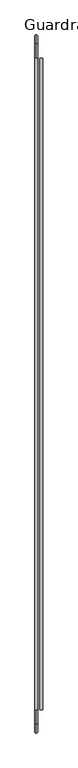
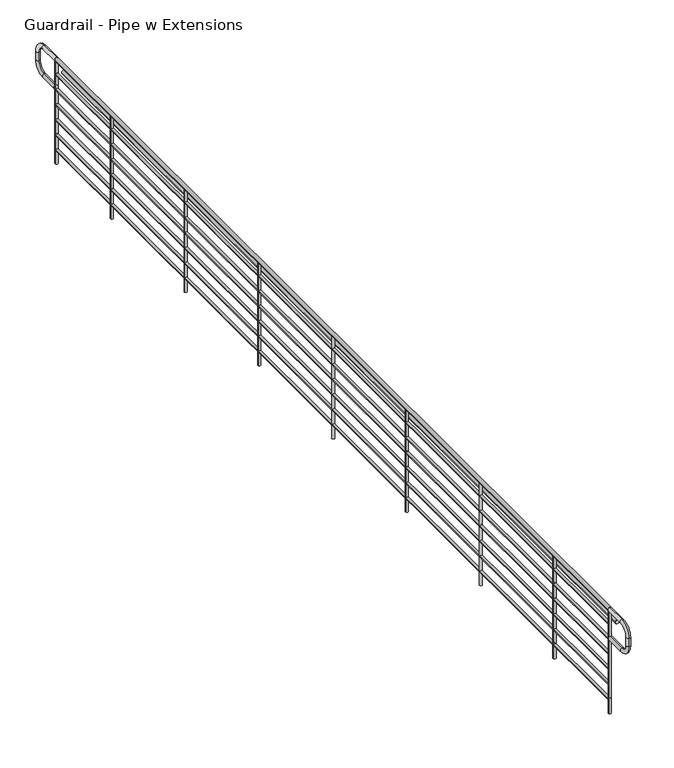
"""IFC4 building model written with IfcOpenShell, lengths in millimetres: railing geometry, Guardrail - Pipe w Extensions."""

from ifc_helpers import new_model, si_unit, point, frame, frame_2d, origin, origin_with_axes, place, context, project, spatial, circle_curve, ellipse_curve, trimmed, segment, composite_curve, outline, extrude, source, transform, mapped, element, save
from ifc_brep_helpers import plane_surface, cylinder_surface, revolved_surface, advanced_brep


def guardrail_pipe_w_extensions_8e2b649c(model_context):
    return source(origin(), model_context, "Body", "SolidModel", [
        extrude(outline(composite_curve([segment(trimmed(circle_curve(frame_2d((1047.75, -3777.2478678)), 19.05), [point((1047.75, -3758.1978678))], [point((1047.75, -3796.2978678))], False, "CARTESIAN"), True, "CONTINUOUS"), segment(trimmed(circle_curve(frame_2d((1047.75, -3777.2478678)), 19.05), [point((1047.75, -3796.2978678))], [point((1047.75, -3758.1978678))], False, "CARTESIAN"), True, "CONTINUOUS")], self_intersect=False)), frame((0.0, -14489.4143828, 0.0), z_axis=(0.0, 1.0, 0.0), x_axis=(0.0, 0.0, 1.0)), (0.0, 0.0, 1.0), 9144.0),
        extrude(outline(composite_curve([segment(trimmed(circle_curve(frame_2d((901.7, -3777.2478678)), 12.7), [point((901.7, -3764.5478678))], [point((901.7, -3789.9478678))], False, "CARTESIAN"), True, "CONTINUOUS"), segment(trimmed(circle_curve(frame_2d((901.7, -3777.2478678)), 12.7), [point((901.7, -3789.9478678))], [point((901.7, -3764.5478678))], False, "CARTESIAN"), True, "CONTINUOUS")], self_intersect=False)), frame((0.0, -14489.4143828, 0.0), z_axis=(0.0, 1.0, 0.0), x_axis=(0.0, 0.0, 1.0)), (0.0, 0.0, 1.0), 9144.0),
        extrude(outline(composite_curve([segment(trimmed(circle_curve(frame_2d((895.35, -3707.3978678)), 19.05), [point((895.35, -3688.3478678))], [point((895.35, -3726.4478678))], False, "CARTESIAN"), True, "CONTINUOUS"), segment(trimmed(circle_curve(frame_2d((895.35, -3707.3978678)), 19.05), [point((895.35, -3726.4478678))], [point((895.35, -3688.3478678))], False, "CARTESIAN"), True, "CONTINUOUS")], self_intersect=False)), frame((0.0, -14489.4143828, 0.0), z_axis=(0.0, 1.0, 0.0), x_axis=(0.0, 0.0, 1.0)), (0.0, 0.0, 1.0), 9144.0),
        extrude(outline(composite_curve([segment(trimmed(circle_curve(frame_2d((749.3, -3777.2478678)), 12.7), [point((749.3, -3764.5478678))], [point((749.3, -3789.9478678))], False, "CARTESIAN"), True, "CONTINUOUS"), segment(trimmed(circle_curve(frame_2d((749.3, -3777.2478678)), 12.7), [point((749.3, -3789.9478678))], [point((749.3, -3764.5478678))], False, "CARTESIAN"), True, "CONTINUOUS")], self_intersect=False)), frame((0.0, -14489.4143828, 0.0), z_axis=(0.0, 1.0, 0.0), x_axis=(0.0, 0.0, 1.0)), (0.0, 0.0, 1.0), 9144.0),
        extrude(outline(composite_curve([segment(trimmed(circle_curve(frame_2d((596.9, -3777.2478678)), 12.7), [point((596.9, -3764.5478678))], [point((596.9, -3789.9478678))], False, "CARTESIAN"), True, "CONTINUOUS"), segment(trimmed(circle_curve(frame_2d((596.9, -3777.2478678)), 12.7), [point((596.9, -3789.9478678))], [point((596.9, -3764.5478678))], False, "CARTESIAN"), True, "CONTINUOUS")], self_intersect=False)), frame((0.0, -14489.4143828, 0.0), z_axis=(0.0, 1.0, 0.0), x_axis=(0.0, 0.0, 1.0)), (0.0, 0.0, 1.0), 9144.0),
        extrude(outline(composite_curve([segment(trimmed(circle_curve(frame_2d((444.5, -3777.2478678)), 12.7), [point((444.5, -3764.5478678))], [point((444.5, -3789.9478678))], False, "CARTESIAN"), True, "CONTINUOUS"), segment(trimmed(circle_curve(frame_2d((444.5, -3777.2478678)), 12.7), [point((444.5, -3789.9478678))], [point((444.5, -3764.5478678))], False, "CARTESIAN"), True, "CONTINUOUS")], self_intersect=False)), frame((0.0, -14489.4143828, 0.0), z_axis=(0.0, 1.0, 0.0), x_axis=(0.0, 0.0, 1.0)), (0.0, 0.0, 1.0), 9144.0),
        extrude(outline(composite_curve([segment(trimmed(circle_curve(frame_2d((292.1, -3777.2478678)), 12.7), [point((292.1, -3764.5478678))], [point((292.1, -3789.9478678))], False, "CARTESIAN"), True, "CONTINUOUS"), segment(trimmed(circle_curve(frame_2d((292.1, -3777.2478678)), 12.7), [point((292.1, -3789.9478678))], [point((292.1, -3764.5478678))], False, "CARTESIAN"), True, "CONTINUOUS")], self_intersect=False)), frame((0.0, -14489.4143828, 0.0), z_axis=(0.0, 1.0, 0.0), x_axis=(0.0, 0.0, 1.0)), (0.0, 0.0, 1.0), 9144.0),
        extrude(outline(composite_curve([segment(trimmed(circle_curve(frame_2d((139.7, -3777.2478678)), 12.7), [point((139.7, -3764.5478678))], [point((139.7, -3789.9478678))], False, "CARTESIAN"), True, "CONTINUOUS"), segment(trimmed(circle_curve(frame_2d((139.7, -3777.2478678)), 12.7), [point((139.7, -3789.9478678))], [point((139.7, -3764.5478678))], False, "CARTESIAN"), True, "CONTINUOUS")], self_intersect=False)), frame((0.0, -14489.4143828, 0.0), z_axis=(0.0, 1.0, 0.0), x_axis=(0.0, 0.0, 1.0)), (0.0, 0.0, 1.0), 9144.0),
        extrude(outline(composite_curve([segment(trimmed(circle_curve(frame_2d((-3777.2478678, -13575.0143828)), 12.7), [point((-3764.5478678, -13575.0143828))], [point((-3789.9478678, -13575.0143828))], False, "CARTESIAN"), True, "CONTINUOUS"), segment(trimmed(circle_curve(frame_2d((-3777.2478678, -13575.0143828)), 12.7), [point((-3789.9478678, -13575.0143828))], [point((-3764.5478678, -13575.0143828))], False, "CARTESIAN"), True, "CONTINUOUS")], self_intersect=False)), origin_with_axes(), (0.0, 0.0, 1.0), 1028.7),
        extrude(outline(composite_curve([segment(trimmed(circle_curve(frame_2d((-3777.2478678, -12355.8143828)), 12.7), [point((-3764.5478678, -12355.8143828))], [point((-3789.9478678, -12355.8143828))], False, "CARTESIAN"), True, "CONTINUOUS"), segment(trimmed(circle_curve(frame_2d((-3777.2478678, -12355.8143828)), 12.7), [point((-3789.9478678, -12355.8143828))], [point((-3764.5478678, -12355.8143828))], False, "CARTESIAN"), True, "CONTINUOUS")], self_intersect=False)), origin_with_axes(), (0.0, 0.0, 1.0), 1028.7),
        extrude(outline(composite_curve([segment(trimmed(circle_curve(frame_2d((-3777.2478678, -11136.6143828)), 12.7), [point((-3764.5478678, -11136.6143828))], [point((-3789.9478678, -11136.6143828))], False, "CARTESIAN"), True, "CONTINUOUS"), segment(trimmed(circle_curve(frame_2d((-3777.2478678, -11136.6143828)), 12.7), [point((-3789.9478678, -11136.6143828))], [point((-3764.5478678, -11136.6143828))], False, "CARTESIAN"), True, "CONTINUOUS")], self_intersect=False)), origin_with_axes(), (0.0, 0.0, 1.0), 1028.7),
        extrude(outline(composite_curve([segment(trimmed(circle_curve(frame_2d((-3777.2478678, -9917.4143828)), 12.7), [point((-3764.5478678, -9917.4143828))], [point((-3789.9478678, -9917.4143828))], False, "CARTESIAN"), True, "CONTINUOUS"), segment(trimmed(circle_curve(frame_2d((-3777.2478678, -9917.4143828)), 12.7), [point((-3789.9478678, -9917.4143828))], [point((-3764.5478678, -9917.4143828))], False, "CARTESIAN"), True, "CONTINUOUS")], self_intersect=False)), origin_with_axes(), (0.0, 0.0, 1.0), 1028.7),
        extrude(outline(composite_curve([segment(trimmed(circle_curve(frame_2d((-3777.2478678, -8698.2143828)), 12.7), [point((-3764.5478678, -8698.2143828))], [point((-3789.9478678, -8698.2143828))], False, "CARTESIAN"), True, "CONTINUOUS"), segment(trimmed(circle_curve(frame_2d((-3777.2478678, -8698.2143828)), 12.7), [point((-3789.9478678, -8698.2143828))], [point((-3764.5478678, -8698.2143828))], False, "CARTESIAN"), True, "CONTINUOUS")], self_intersect=False)), origin_with_axes(), (0.0, 0.0, 1.0), 1028.7),
        extrude(outline(composite_curve([segment(trimmed(circle_curve(frame_2d((-3777.2478678, -7479.0143828)), 12.7), [point((-3764.5478678, -7479.0143828))], [point((-3789.9478678, -7479.0143828))], False, "CARTESIAN"), True, "CONTINUOUS"), segment(trimmed(circle_curve(frame_2d((-3777.2478678, -7479.0143828)), 12.7), [point((-3789.9478678, -7479.0143828))], [point((-3764.5478678, -7479.0143828))], False, "CARTESIAN"), True, "CONTINUOUS")], self_intersect=False)), origin_with_axes(), (0.0, 0.0, 1.0), 1028.7),
        extrude(outline(composite_curve([segment(trimmed(circle_curve(frame_2d((-3777.2478678, -6259.8143828)), 12.7), [point((-3764.5478678, -6259.8143828))], [point((-3789.9478678, -6259.8143828))], False, "CARTESIAN"), True, "CONTINUOUS"), segment(trimmed(circle_curve(frame_2d((-3777.2478678, -6259.8143828)), 12.7), [point((-3789.9478678, -6259.8143828))], [point((-3764.5478678, -6259.8143828))], False, "CARTESIAN"), True, "CONTINUOUS")], self_intersect=False)), origin_with_axes(), (0.0, 0.0, 1.0), 1028.7),
        advanced_brep(
        [(-3777.2478678, -14502.1143828, 781.05), (-3777.2478678, -14502.1143828, 742.95), (-3777.2478678, -14692.6143828, 781.05), (-3777.2478678, -14692.6143828, 742.95), (-3777.2478678, -14813.2643828, 863.6), (-3777.2478678, -14775.1643828, 863.6), (-3777.2478678, -14775.1643828, 946.15), (-3777.2478678, -14813.2643828, 946.15), (-3777.2478678, -14692.6143828, 1066.8), (-3777.2478678, -14692.6143828, 1028.7), (-3777.2478678, -14489.4143828, 1028.7), (-3777.2478678, -14489.4143828, 1066.8)],
        [
            (0, 1, circle_curve(frame((-3777.2478678, -14502.1143828, 762.0), z_axis=(0.0, 1.0, 0.0), x_axis=(0.0, 0.0, -1.0)), 19.05)),
            (1, 0, circle_curve(frame((-3777.2478678, -14502.1143828, 762.0), z_axis=(0.0, 1.0, 0.0), x_axis=(0.0, 0.0, -1.0)), 19.05)),
            (0, 2),
            (2, 3, circle_curve(frame((-3777.2478678, -14692.6143828, 762.0), z_axis=(0.0, 1.0, 0.0), x_axis=(0.0, 0.0, -1.0)), 19.05)),
            (3, 1),
            (3, 2, circle_curve(frame((-3777.2478678, -14692.6143828, 762.0), z_axis=(0.0, 1.0, 0.0), x_axis=(0.0, 0.0, -1.0)), 19.05)),
            (4, 3, circle_curve(frame((-3777.2478678, -14692.6143828, 863.6), z_axis=(1.0, 0.0, 0.0), x_axis=(0.0, 0.0, -1.0)), 120.65)),
            (2, 5, circle_curve(frame((-3777.2478678, -14692.6143828, 863.6), z_axis=(-1.0, 0.0, 0.0), x_axis=(0.0, 0.0, -1.0)), 82.55)),
            (5, 4, circle_curve(frame((-3777.2478678, -14794.2143828, 863.6), z_axis=(0.0, 0.0, -1.0), x_axis=(0.0, -1.0, 0.0)), 19.05)),
            (4, 5, circle_curve(frame((-3777.2478678, -14794.2143828, 863.6), z_axis=(0.0, 0.0, -1.0), x_axis=(0.0, -1.0, 0.0)), 19.05)),
            (5, 6),
            (6, 7, circle_curve(frame((-3777.2478678, -14794.2143828, 946.15), z_axis=(0.0, 0.0, -1.0), x_axis=(0.0, -1.0, 0.0)), 19.05)),
            (7, 4),
            (7, 6, circle_curve(frame((-3777.2478678, -14794.2143828, 946.15), z_axis=(0.0, 0.0, -1.0), x_axis=(0.0, -1.0, 0.0)), 19.05)),
            (8, 7, circle_curve(frame((-3777.2478678, -14692.6143828, 946.15), z_axis=(1.0, 0.0, 0.0), x_axis=(0.0, -1.0, 0.0)), 120.65)),
            (6, 9, circle_curve(frame((-3777.2478678, -14692.6143828, 946.15), z_axis=(-1.0, 0.0, 0.0), x_axis=(0.0, -1.0, 0.0)), 82.55)),
            (9, 8, circle_curve(frame((-3777.2478678, -14692.6143828, 1047.75), z_axis=(0.0, -1.0, 0.0), x_axis=(0.0, 0.0, 1.0)), 19.05)),
            (8, 9, circle_curve(frame((-3777.2478678, -14692.6143828, 1047.75), z_axis=(0.0, -1.0, 0.0), x_axis=(0.0, 0.0, 1.0)), 19.05)),
            (10, 11, circle_curve(frame((-3777.2478678, -14489.4143828, 1047.75), z_axis=(0.0, 1.0, 0.0), x_axis=(0.0, 0.0, 1.0)), 19.05)),
            (11, 10, circle_curve(frame((-3777.2478678, -14489.4143828, 1047.75), z_axis=(0.0, 1.0, 0.0), x_axis=(0.0, 0.0, 1.0)), 19.05)),
            (9, 10),
            (11, 8),
        ],
        [
            plane_surface(frame((-3796.2978678, -14502.1143828, 762.0), z_axis=(0.0, 1.0, 0.0), x_axis=(0.0, 0.0, -1.0))),
            cylinder_surface(frame((-3777.2478678, -14502.1143828, 762.0), z_axis=(0.0, 1.0, 0.0), x_axis=(0.0, 0.0, -1.0)), 19.05),
            revolved_surface(trimmed(ellipse_curve(frame((-3777.2478678, -14692.6143828, 762.0), z_axis=(0.0, 1.0, 0.0), x_axis=(0.0, 0.0, -1.0)), 19.05, 19.05), [point((-3777.2478678, -14692.6143828, 781.05))], [point((-3777.2478678, -14692.6143828, 742.95))], True, "CARTESIAN"), (-3777.2478678, -14692.6143828, 863.6), (-1.0, 0.0, 0.0)),
            revolved_surface(trimmed(ellipse_curve(frame((-3777.2478678, -14692.6143828, 762.0), z_axis=(0.0, 1.0, 0.0), x_axis=(0.0, 0.0, -1.0)), 19.05, 19.05), [point((-3777.2478678, -14692.6143828, 742.95))], [point((-3777.2478678, -14692.6143828, 781.05))], True, "CARTESIAN"), (-3777.2478678, -14692.6143828, 863.6), (-1.0, 0.0, 0.0)),
            cylinder_surface(frame((-3777.2478678, -14794.2143828, 863.6), z_axis=(0.0, 0.0, -1.0), x_axis=(0.0, -1.0, 0.0)), 19.05),
            revolved_surface(trimmed(ellipse_curve(frame((-3777.2478678, -14794.2143828, 946.15), z_axis=(0.0, 0.0, -1.0), x_axis=(0.0, -1.0, 0.0)), 19.05, 19.05), [point((-3777.2478678, -14775.1643828, 946.15))], [point((-3777.2478678, -14813.2643828, 946.15))], True, "CARTESIAN"), (-3777.2478678, -14692.6143828, 946.15), (-1.0, 0.0, 0.0)),
            revolved_surface(trimmed(ellipse_curve(frame((-3777.2478678, -14794.2143828, 946.15), z_axis=(0.0, 0.0, -1.0), x_axis=(0.0, -1.0, 0.0)), 19.05, 19.05), [point((-3777.2478678, -14813.2643828, 946.15))], [point((-3777.2478678, -14775.1643828, 946.15))], True, "CARTESIAN"), (-3777.2478678, -14692.6143828, 946.15), (-1.0, 0.0, 0.0)),
            plane_surface(frame((-3796.2978678, -14489.4143828, 1047.75), z_axis=(0.0, 1.0, 0.0), x_axis=(0.0, 0.0, 1.0))),
            cylinder_surface(frame((-3777.2478678, -14692.6143828, 1047.75), z_axis=(0.0, -1.0, 0.0), x_axis=(0.0, 0.0, 1.0)), 19.05),
        ],
        [
            (0, [[1, 2]]),
            (1, [[-1, 3, 4, 5]]),
            (1, [[-2, -5, 6, -3]]),
            (2, [[7, -4, 8, 9]]),
            (3, [[-8, -6, -7, 10]]),
            (4, [[-9, 11, 12, 13]]),
            (4, [[-10, -13, 14, -11]]),
            (5, [[15, -12, 16, 17]]),
            (6, [[-16, -14, -15, 18]]),
            (7, [[19, 20]]),
            (8, [[-17, 21, -20, 22]]),
            (8, [[-18, -22, -19, -21]]),
        ],
    ),
        extrude(outline(composite_curve([segment(trimmed(circle_curve(frame_2d((-3777.2478678, -14489.4143828)), 12.7), [point((-3789.9478678, -14489.4143828))], [point((-3764.5478678, -14489.4143828))], False, "CARTESIAN"), True, "CONTINUOUS"), segment(trimmed(circle_curve(frame_2d((-3777.2478678, -14489.4143828)), 12.7), [point((-3764.5478678, -14489.4143828))], [point((-3789.9478678, -14489.4143828))], False, "CARTESIAN"), True, "CONTINUOUS")], self_intersect=False)), origin_with_axes(), (0.0, 0.0, 1.0), 1028.7),
        advanced_brep(
        [(-3777.2478678, -5345.4143828, 1028.7), (-3777.2478678, -5345.4143828, 1066.8), (-3777.2478678, -5142.2143828, 1028.7), (-3777.2478678, -5142.2143828, 1066.8), (-3777.2478678, -5021.5643828, 946.15), (-3777.2478678, -5059.6643828, 946.15), (-3777.2478678, -5059.6643828, 863.6), (-3777.2478678, -5021.5643828, 863.6), (-3777.2478678, -5142.2143828, 742.95), (-3777.2478678, -5142.2143828, 781.05), (-3777.2478678, -5332.7143828, 781.05), (-3777.2478678, -5332.7143828, 742.95)],
        [
            (0, 1, circle_curve(frame((-3777.2478678, -5345.4143828, 1047.75), z_axis=(0.0, -1.0, 0.0), x_axis=(0.0, 0.0, 1.0)), 19.05)),
            (1, 0, circle_curve(frame((-3777.2478678, -5345.4143828, 1047.75), z_axis=(0.0, -1.0, 0.0), x_axis=(0.0, 0.0, 1.0)), 19.05)),
            (0, 2),
            (2, 3, circle_curve(frame((-3777.2478678, -5142.2143828, 1047.75), z_axis=(0.0, -1.0, 0.0), x_axis=(0.0, 0.0, 1.0)), 19.05)),
            (3, 1),
            (3, 2, circle_curve(frame((-3777.2478678, -5142.2143828, 1047.75), z_axis=(0.0, -1.0, 0.0), x_axis=(0.0, 0.0, 1.0)), 19.05)),
            (4, 3, circle_curve(frame((-3777.2478678, -5142.2143828, 946.15), z_axis=(1.0, 0.0, 0.0), x_axis=(0.0, 0.0, 1.0)), 120.65)),
            (2, 5, circle_curve(frame((-3777.2478678, -5142.2143828, 946.15), z_axis=(-1.0, 0.0, 0.0), x_axis=(0.0, 0.0, 1.0)), 82.55)),
            (5, 4, circle_curve(frame((-3777.2478678, -5040.6143828, 946.15), z_axis=(0.0, 0.0, 1.0), x_axis=(0.0, 1.0, 0.0)), 19.05)),
            (4, 5, circle_curve(frame((-3777.2478678, -5040.6143828, 946.15), z_axis=(0.0, 0.0, 1.0), x_axis=(0.0, 1.0, 0.0)), 19.05)),
            (5, 6),
            (6, 7, circle_curve(frame((-3777.2478678, -5040.6143828, 863.6), z_axis=(0.0, 0.0, 1.0), x_axis=(0.0, 1.0, 0.0)), 19.05)),
            (7, 4),
            (7, 6, circle_curve(frame((-3777.2478678, -5040.6143828, 863.6), z_axis=(0.0, 0.0, 1.0), x_axis=(0.0, 1.0, 0.0)), 19.05)),
            (8, 7, circle_curve(frame((-3777.2478678, -5142.2143828, 863.6), z_axis=(1.0, 0.0, 0.0), x_axis=(0.0, 1.0, 0.0)), 120.65)),
            (6, 9, circle_curve(frame((-3777.2478678, -5142.2143828, 863.6), z_axis=(-1.0, 0.0, 0.0), x_axis=(0.0, 1.0, 0.0)), 82.55)),
            (9, 8, circle_curve(frame((-3777.2478678, -5142.2143828, 762.0), z_axis=(0.0, 1.0, 0.0), x_axis=(0.0, 0.0, -1.0)), 19.05)),
            (8, 9, circle_curve(frame((-3777.2478678, -5142.2143828, 762.0), z_axis=(0.0, 1.0, 0.0), x_axis=(0.0, 0.0, -1.0)), 19.05)),
            (10, 11, circle_curve(frame((-3777.2478678, -5332.7143828, 762.0), z_axis=(0.0, -1.0, 0.0), x_axis=(0.0, 0.0, -1.0)), 19.05)),
            (11, 10, circle_curve(frame((-3777.2478678, -5332.7143828, 762.0), z_axis=(0.0, -1.0, 0.0), x_axis=(0.0, 0.0, -1.0)), 19.05)),
            (9, 10),
            (11, 8),
        ],
        [
            plane_surface(frame((-3796.2978678, -5345.4143828, 1047.75), z_axis=(0.0, -1.0, 0.0), x_axis=(0.0, 0.0, 1.0))),
            cylinder_surface(frame((-3777.2478678, -5345.4143828, 1047.75), z_axis=(0.0, -1.0, 0.0), x_axis=(0.0, 0.0, 1.0)), 19.05),
            revolved_surface(trimmed(ellipse_curve(frame((-3777.2478678, -5142.2143828, 1047.75), z_axis=(0.0, -1.0, 0.0), x_axis=(0.0, 0.0, 1.0)), 19.05, 19.05), [point((-3777.2478678, -5142.2143828, 1028.7))], [point((-3777.2478678, -5142.2143828, 1066.8))], True, "CARTESIAN"), (-3777.2478678, -5142.2143828, 946.15), (-1.0, 0.0, 0.0)),
            revolved_surface(trimmed(ellipse_curve(frame((-3777.2478678, -5142.2143828, 1047.75), z_axis=(0.0, -1.0, 0.0), x_axis=(0.0, 0.0, 1.0)), 19.05, 19.05), [point((-3777.2478678, -5142.2143828, 1066.8))], [point((-3777.2478678, -5142.2143828, 1028.7))], True, "CARTESIAN"), (-3777.2478678, -5142.2143828, 946.15), (-1.0, 0.0, 0.0)),
            cylinder_surface(frame((-3777.2478678, -5040.6143828, 946.15), z_axis=(0.0, 0.0, 1.0), x_axis=(0.0, 1.0, 0.0)), 19.05),
            revolved_surface(trimmed(ellipse_curve(frame((-3777.2478678, -5040.6143828, 863.6), z_axis=(0.0, 0.0, 1.0), x_axis=(0.0, 1.0, 0.0)), 19.05, 19.05), [point((-3777.2478678, -5059.6643828, 863.6))], [point((-3777.2478678, -5021.5643828, 863.6))], True, "CARTESIAN"), (-3777.2478678, -5142.2143828, 863.6), (-1.0, 0.0, 0.0)),
            revolved_surface(trimmed(ellipse_curve(frame((-3777.2478678, -5040.6143828, 863.6), z_axis=(0.0, 0.0, 1.0), x_axis=(0.0, 1.0, 0.0)), 19.05, 19.05), [point((-3777.2478678, -5021.5643828, 863.6))], [point((-3777.2478678, -5059.6643828, 863.6))], True, "CARTESIAN"), (-3777.2478678, -5142.2143828, 863.6), (-1.0, 0.0, 0.0)),
            plane_surface(frame((-3796.2978678, -5332.7143828, 762.0), z_axis=(0.0, -1.0, 0.0), x_axis=(0.0, 0.0, -1.0))),
            cylinder_surface(frame((-3777.2478678, -5142.2143828, 762.0), z_axis=(0.0, 1.0, 0.0), x_axis=(0.0, 0.0, -1.0)), 19.05),
        ],
        [
            (0, [[1, 2]]),
            (1, [[-1, 3, 4, 5]]),
            (1, [[-2, -5, 6, -3]]),
            (2, [[7, -4, 8, 9]]),
            (3, [[-8, -6, -7, 10]]),
            (4, [[-9, 11, 12, 13]]),
            (4, [[-10, -13, 14, -11]]),
            (5, [[15, -12, 16, 17]]),
            (6, [[-16, -14, -15, 18]]),
            (7, [[19, 20]]),
            (8, [[-17, 21, -20, 22]]),
            (8, [[-18, -22, -19, -21]]),
        ],
    ),
        extrude(outline(composite_curve([segment(trimmed(circle_curve(frame_2d((-3777.2478678, -5345.4143828)), 12.7), [point((-3789.9478678, -5345.4143828))], [point((-3764.5478678, -5345.4143828))], False, "CARTESIAN"), True, "CONTINUOUS"), segment(trimmed(circle_curve(frame_2d((-3777.2478678, -5345.4143828)), 12.7), [point((-3764.5478678, -5345.4143828))], [point((-3789.9478678, -5345.4143828))], False, "CARTESIAN"), True, "CONTINUOUS")], self_intersect=False)), origin_with_axes(), (0.0, 0.0, 1.0), 1028.7),
    ])


if __name__ == "__main__":
    model = new_model("IFC4")
    model_context = context("Model", 3, world=origin())
    ifc_project = project(units=[si_unit("LENGTHUNIT", "METRE", prefix="MILLI")], contexts=[model_context])
    site = spatial("IfcSite", under=ifc_project)
    building = spatial("IfcBuilding", under=site)
    placement = place(None, origin())
    guardrail_pipe_w_extensions_shape = guardrail_pipe_w_extensions_8e2b649c(model_context)
    element("IfcRailing", 1, ObjectType="Guardrail - Pipe w Extensions", at=placement, inside=building, context=model_context, shape_type="MappedRepresentation", body=[
        mapped(guardrail_pipe_w_extensions_shape, transform((0.0, 0.0, 0.0), x_axis=(1.0, 0.0, 0.0), y_axis=(0.0, 1.0, 0.0), z_axis=(0.0, 0.0, 1.0))),
    ])
    save(model, "model.ifc")
